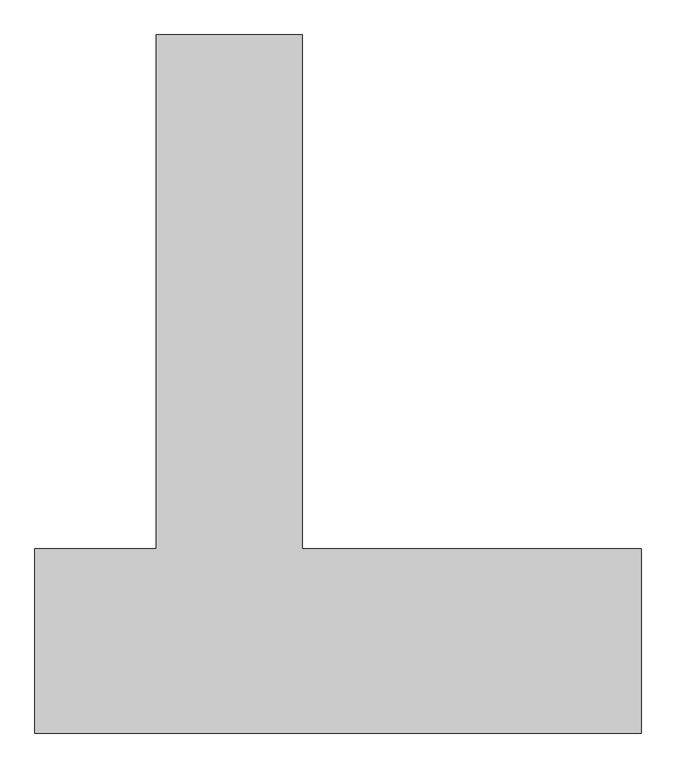
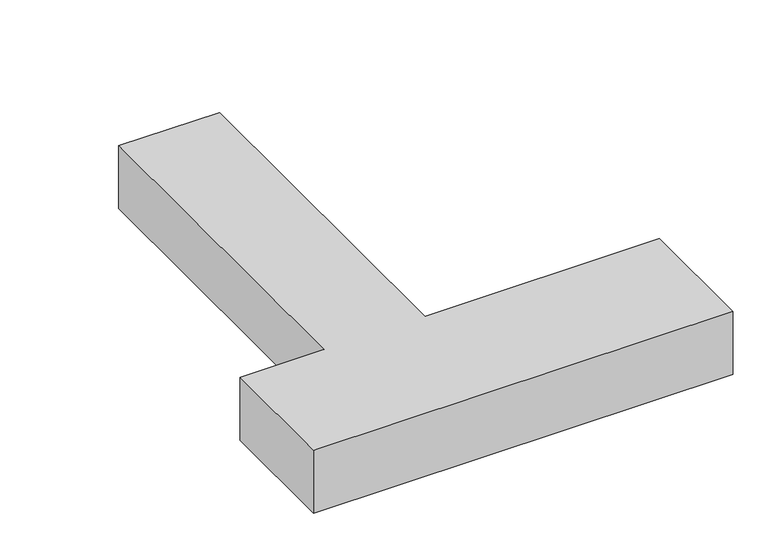
"""IFC4 building model written with IfcOpenShell, lengths in millimetres: proxy geometry."""

import ifcopenshell
import ifcopenshell.guid

model = None  # the IFC model being written
_history = None  # IfcOwnerHistory: only IFC2X3 demands one
_inside = {}  # id of a spatial element -> (the spatial element, [elements in it])
_under = {}  # id of a project, library or spatial element -> (it, [spatial elements below it])
_declared = {}  # id of a project -> (the project, [libraries it declares])
_typed = {}  # id of a type object -> (the type object, [elements of that type])
_made_of = {}  # id of a material, layer set ... -> (it, [elements and type objects made of it])


def new_model(schema):
    """Start an empty IFC model of exactly this schema.

    Asked for "IFC4X3", IfcOpenShell would pick the latest addendum, in which some entities
    have other attributes; the version numbers below select the first issue.
    IFC2X3 requires an IfcOwnerHistory on every rooted entity: one is made here for all.
    """
    global model, _history
    if schema == "IFC4X3":
        model = ifcopenshell.file(schema_version=(4, 3, 0, 0))
    else:
        model = ifcopenshell.file(schema=schema)
    _inside.clear()
    _under.clear()
    _declared.clear()
    _typed.clear()
    _made_of.clear()
    _history = None
    if model.schema == "IFC2X3":
        org = make("IfcOrganization", Name="unknown")
        user = make(
            "IfcPersonAndOrganization",
            ThePerson=make("IfcPerson", FamilyName="unknown"),
            TheOrganization=org,
        )
        app = make(
            "IfcApplication",
            ApplicationDeveloper=org,
            Version="unknown",
            ApplicationFullName="unknown",
            ApplicationIdentifier="unknown",
        )
        _history = make(
            "IfcOwnerHistory",
            OwningUser=user,
            OwningApplication=app,
            ChangeAction="ADDED",
            CreationDate=0,
        )
    return model


def make(cls, **values):
    """One entity of the class cls with the attributes given. An attribute that is None is left unset."""
    return model.create_entity(
        cls, **{name: value for name, value in values.items() if value is not None}
    )


def rooted(cls, **values):
    """An entity with a GlobalId (a new one), such as an element, a storey or a relation."""
    return make(cls, GlobalId=ifcopenshell.guid.new(), OwnerHistory=_history, **values)


def si_unit(unit_type, name, prefix=None):
    """IfcSIUnit, for example si_unit("LENGTHUNIT", "METRE", prefix="MILLI")."""
    return make("IfcSIUnit", UnitType=unit_type, Prefix=prefix, Name=name)


def assignment(units):
    """IfcUnitAssignment: the units of a project."""
    return None if units is None else make("IfcUnitAssignment", Units=units)


def point(xyz):
    """IfcCartesianPoint."""
    return None if xyz is None else make("IfcCartesianPoint", Coordinates=xyz)


def direction(xyz):
    """IfcDirection."""
    return None if xyz is None else make("IfcDirection", DirectionRatios=xyz)


def frame(location, z_axis=None, x_axis=None):
    """IfcAxis2Placement3D, a coordinate frame: its origin and axes. An axis left out is left unset."""
    return make(
        "IfcAxis2Placement3D",
        Location=point(location),
        Axis=direction(z_axis),
        RefDirection=direction(x_axis),
    )


def origin():
    """The frame at (0, 0, 0) with its axes left unset."""
    return frame((0.0, 0.0, 0.0))


def origin_with_axes():
    """The frame at (0, 0, 0) with the z axis (0, 0, 1) and the x axis (1, 0, 0) written out."""
    return frame((0.0, 0.0, 0.0), z_axis=(0.0, 0.0, 1.0), x_axis=(1.0, 0.0, 0.0))


def place(relative_to, where):
    """IfcLocalPlacement: puts the frame where relative to a parent placement (None: the world)."""
    return make(
        "IfcLocalPlacement", PlacementRelTo=relative_to, RelativePlacement=where
    )


def context(
    kind, dimensions, precision=None, world=None, true_north=None, identifier=None
):
    """IfcGeometricRepresentationContext, for example the 3D "Model" context."""
    return make(
        "IfcGeometricRepresentationContext",
        ContextIdentifier=identifier,
        ContextType=kind,
        CoordinateSpaceDimension=dimensions,
        Precision=precision,
        WorldCoordinateSystem=world,
        TrueNorth=true_north,
    )


def project(units=None, contexts=None):
    """IfcProject with its units and contexts."""
    return rooted(
        "IfcProject",
        Name="project",
        RepresentationContexts=contexts,
        UnitsInContext=assignment(units),
    )


def spatial(cls, under=None, at=None, **own):
    """A site, building, storey or space (cls), placed at a placement, below another one or the project."""
    s = rooted(cls, ObjectPlacement=at, **own)
    if under is not None:
        _under.setdefault(under.id(), (under, []))[1].append(s)
    return s


def polyline(points):
    """IfcPolyline through the points."""
    return make("IfcPolyline", Points=[point(p) for p in points])


def outline(outer, holes=None, kind="AREA"):
    """IfcArbitraryClosedProfileDef: a profile drawn as a closed curve; with holes, ...WithVoids."""
    if holes is None:
        return make("IfcArbitraryClosedProfileDef", ProfileType=kind, OuterCurve=outer)
    return make(
        "IfcArbitraryProfileDefWithVoids",
        ProfileType=kind,
        OuterCurve=outer,
        InnerCurves=holes,
    )


def extrude(swept, where, along, depth):
    """IfcExtrudedAreaSolid: the profile swept, set in the frame where, extruded along a direction by depth."""
    return make(
        "IfcExtrudedAreaSolid",
        SweptArea=swept,
        Position=where,
        ExtrudedDirection=direction(along),
        Depth=depth,
    )


def shape(context_of_items, identifier, shape_type, items):
    """IfcShapeRepresentation: the items that make up one representation, for example the "Body"."""
    return make(
        "IfcShapeRepresentation",
        ContextOfItems=context_of_items,
        RepresentationIdentifier=identifier,
        RepresentationType=shape_type,
        Items=items,
    )


def source(mapping_origin, context_of_items, identifier, shape_type, items):
    """IfcRepresentationMap: a shape defined once, which mapped items show again and again."""
    return make(
        "IfcRepresentationMap",
        MappingOrigin=mapping_origin,
        MappedRepresentation=shape(context_of_items, identifier, shape_type, items),
    )


def transform(
    local_origin,
    x_axis=None,
    y_axis=None,
    z_axis=None,
    scale=None,
    scale2=None,
    scale3=None,
    uniform=True,
):
    """IfcCartesianTransformationOperator3D, or its non-uniform kind. x_axis, y_axis, z_axis: its Axis1, 2, 3."""
    if uniform:
        return make(
            "IfcCartesianTransformationOperator3D",
            Axis1=direction(x_axis),
            Axis2=direction(y_axis),
            LocalOrigin=point(local_origin),
            Scale=scale,
            Axis3=direction(z_axis),
        )
    return make(
        "IfcCartesianTransformationOperator3DnonUniform",
        Axis1=direction(x_axis),
        Axis2=direction(y_axis),
        LocalOrigin=point(local_origin),
        Scale=scale,
        Axis3=direction(z_axis),
        Scale2=scale2,
        Scale3=scale3,
    )


def mapped(mapping_source, mapping_target):
    """IfcMappedItem: shows the shape of a source again, moved by a transform."""
    return make(
        "IfcMappedItem", MappingSource=mapping_source, MappingTarget=mapping_target
    )


def made_of(thing, what):
    """Note that an element or type object is made of a material, layer set ...; save() writes the relation."""
    if what is not None:
        _made_of.setdefault(what.id(), (what, []))[1].append(thing)
    return thing


def element(
    cls,
    number,
    at=None,
    inside=None,
    cuts=None,
    type_object=None,
    material=None,
    context=None,
    identifier="Body",
    shape_type=None,
    held_by="IfcProductDefinitionShape",
    body=None,
    shapes=None,
    **own,
):
    """One element of the class cls, such as IfcWall. Its Tag is "e" and its number.

    at: its placement. inside: the storey or other place that contains it. cuts: it is an
    opening in that element (IfcRelVoidsElement). A single representation is given by context,
    identifier, shape_type and body (its items); several are given by shapes. held_by: the class
    of the entity that holds the representations. save() writes the other relations.
    """
    e = rooted(cls, Tag="e%d" % number, ObjectPlacement=at, **own)
    if body is not None:
        shapes = [shape(context, identifier, shape_type, body)]
    if shapes is not None:
        e.Representation = make(held_by, Representations=shapes)
    if inside is not None:
        _inside.setdefault(inside.id(), (inside, []))[1].append(e)
    if cuts is not None:
        rooted(
            "IfcRelVoidsElement", RelatingBuildingElement=cuts, RelatedOpeningElement=e
        )
    if type_object is not None:
        _typed.setdefault(type_object.id(), (type_object, []))[1].append(e)
    return made_of(e, material)


def aggregate(whole, parts):
    """IfcRelAggregates: a whole, such as a stair, and the parts it consists of."""
    return rooted("IfcRelAggregates", RelatingObject=whole, RelatedObjects=parts)


def save(model, path):
    """Write the relations noted so far, then the file.

    IfcRelAggregates (storeys below a building ...), IfcRelContainedInSpatialStructure (elements
    in a storey), IfcRelDefinesByType, IfcRelAssociatesMaterial and IfcRelDeclares: one each for
    every whole, place, type object, material and project.
    """
    for whole, parts in _under.values():
        aggregate(whole, parts)
    for where, things in _inside.values():
        rooted(
            "IfcRelContainedInSpatialStructure",
            RelatedElements=things,
            RelatingStructure=where,
        )
    for kind, things in _typed.values():
        rooted("IfcRelDefinesByType", RelatedObjects=things, RelatingType=kind)
    for what, things in _made_of.values():
        rooted("IfcRelAssociatesMaterial", RelatedObjects=things, RelatingMaterial=what)
    for by, libraries in _declared.values():
        rooted("IfcRelDeclares", RelatingContext=by, RelatedDefinitions=libraries)
    model.write(path)


def generic_models_e200c7ed(model_context):
    return source(origin(), model_context, "Body", "SweptSolid", [
        extrude(outline(polyline([(-380.0, 226.1680125), (-380.0, 1566.1680125), (0.0, 1566.1680125), (0.0, 226.1680125), (883.622809, 226.1680125), (883.622809, -253.8319875), (-696.377191, -253.8319875), (-696.377191, 226.1680125), (-380.0, 226.1680125)])), origin_with_axes(), (0.0, 0.0, 1.0), 250.0),
    ])


if __name__ == "__main__":
    model = new_model("IFC4")
    model_context = context("Model", 3, world=origin())
    ifc_project = project(units=[si_unit("LENGTHUNIT", "METRE", prefix="MILLI")], contexts=[model_context])
    site = spatial("IfcSite", under=ifc_project)
    building = spatial("IfcBuilding", under=site)
    placement = place(None, origin())
    generic_models_shape = generic_models_e200c7ed(model_context)
    element("IfcBuildingElementProxy", 1, Name="Generic Models", at=placement, inside=building, context=model_context, shape_type="MappedRepresentation", body=[
        mapped(generic_models_shape, transform((0.0, 0.0, 0.0), x_axis=(1.0, 0.0, 0.0), y_axis=(0.0, 1.0, 0.0), z_axis=(0.0, 0.0, 1.0))),
    ])
    save(model, "model.ifc")
